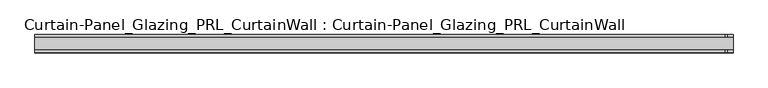
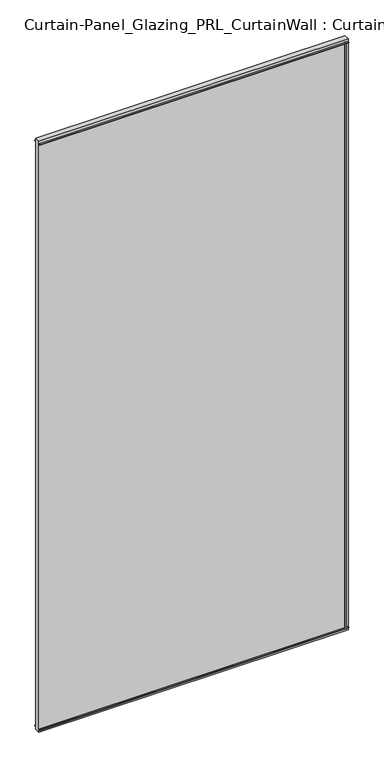
"""IFC4 building model written with IfcOpenShell, lengths in millimetres: plate geometry, Curtain-Panel_Glazing_PRL_CurtainWall : Curtain-Panel_Glazing_PRL_CurtainWall."""

from ifc_helpers import new_model, si_unit, frame, origin, origin_with_axes, place, context, project, spatial, polyline, outline, extrude, source, transform, mapped, element, save


def curtain_panel_glazing_prl_curtainwall_curtain_panel_glazing_44f29153(model_context):
    return source(origin(), model_context, "Body", "SweptSolid", [
        extrude(outline(polyline([(739.775, -19.05), (735.80625, -19.05), (735.80625, -12.7), (739.775, -12.7), (739.775, -19.05)])), frame((0.0, 0.0, 12.7), z_axis=(0.0, 0.0, 1.0), x_axis=(1.0, 0.0, 0.0)), (0.0, 0.0, 1.0), 2946.4),
        extrude(outline(polyline([(739.775, 19.05), (739.775, 12.7), (735.80625, 12.7), (735.80625, 19.05), (739.775, 19.05)])), frame((0.0, 0.0, 12.7), z_axis=(0.0, 0.0, 1.0), x_axis=(1.0, 0.0, 0.0)), (0.0, 0.0, 1.0), 2946.4),
        extrude(outline(polyline([(752.475, 12.7), (752.475, -12.7), (-720.725, -12.7), (-720.725, 12.7), (752.475, 12.7)])), origin_with_axes(), (0.0, 0.0, 1.0), 2971.8),
        extrude(outline(polyline([(-720.725, -19.05), (-720.725, -12.7), (752.475, -12.7), (752.475, -19.05), (-720.725, -19.05)])), frame((0.0, 0.0, 2955.13125), z_axis=(0.0, 0.0, 1.0), x_axis=(1.0, 0.0, 0.0)), (0.0, 0.0, 1.0), 3.96875),
        extrude(outline(polyline([(-720.725, 19.05), (752.475, 19.05), (752.475, 12.7), (-720.725, 12.7), (-720.725, 19.05)])), frame((0.0, 0.0, 2955.13125), z_axis=(0.0, 0.0, 1.0), x_axis=(1.0, 0.0, 0.0)), (0.0, 0.0, 1.0), 3.96875),
        extrude(outline(polyline([(-720.725, -19.05), (-720.725, -12.7), (752.475, -12.7), (752.475, -19.05), (-720.725, -19.05)])), frame((0.0, 0.0, 12.7), z_axis=(0.0, 0.0, 1.0), x_axis=(1.0, 0.0, 0.0)), (0.0, 0.0, 1.0), 3.96875),
        extrude(outline(polyline([(-720.725, 19.05), (752.475, 19.05), (752.475, 12.7), (-720.725, 12.7), (-720.725, 19.05)])), frame((0.0, 0.0, 12.7), z_axis=(0.0, 0.0, 1.0), x_axis=(1.0, 0.0, 0.0)), (0.0, 0.0, 1.0), 3.96875),
    ])


if __name__ == "__main__":
    model = new_model("IFC4")
    model_context = context("Model", 3, world=origin())
    ifc_project = project(units=[si_unit("LENGTHUNIT", "METRE", prefix="MILLI")], contexts=[model_context])
    site = spatial("IfcSite", under=ifc_project)
    building = spatial("IfcBuilding", under=site)
    placement = place(None, origin())
    curtain_panel_glazing_prl_curtainwall_curtain_panel_glazing_shape = curtain_panel_glazing_prl_curtainwall_curtain_panel_glazing_44f29153(model_context)
    element("IfcPlate", 1, ObjectType="Curtain-Panel_Glazing_PRL_CurtainWall : Curtain-Panel_Glazing_PRL_CurtainWall", at=placement, inside=building, context=model_context, shape_type="MappedRepresentation", body=[
        mapped(curtain_panel_glazing_prl_curtainwall_curtain_panel_glazing_shape, transform((0.0, 0.0, 0.0), x_axis=(1.0, 0.0, 0.0), y_axis=(0.0, 1.0, 0.0), z_axis=(0.0, 0.0, 1.0))),
    ])
    save(model, "model.ifc")
